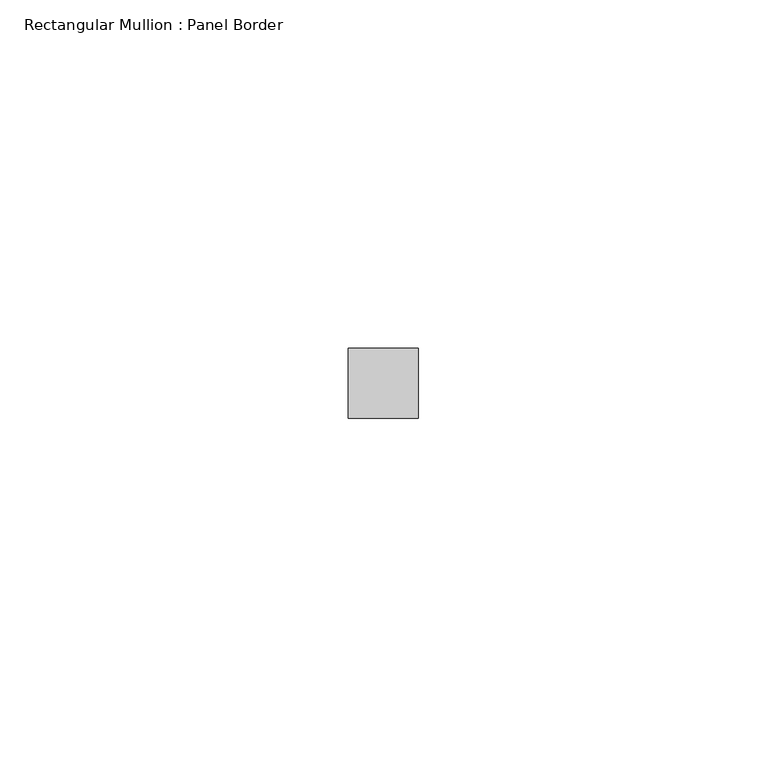
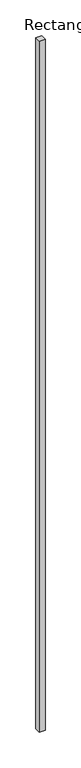
"""IFC4 building model written with IfcOpenShell, lengths in millimetres: member geometry, Rectangular Mullion : Panel Border."""

from ifc_helpers import new_model, si_unit, frame, origin, place, context, project, spatial, polyline, outline, extrude, source, transform, mapped, element, save


def rectangular_mullion_panel_border_72dd9152(model_context):
    return source(origin(), model_context, "Body", "SweptSolid", [
        extrude(outline(polyline([(5.0, 5.5), (5.0, -4.5), (-5.0, -4.5), (-5.0, 5.5), (5.0, 5.5)])), frame((0.0, 0.0, -1185.0), z_axis=(0.0, 0.0, 1.0), x_axis=(1.0, 0.0, 0.0)), (0.0, 0.0, 1.0), 1185.0),
    ])


if __name__ == "__main__":
    model = new_model("IFC4")
    model_context = context("Model", 3, world=origin())
    ifc_project = project(units=[si_unit("LENGTHUNIT", "METRE", prefix="MILLI")], contexts=[model_context])
    site = spatial("IfcSite", under=ifc_project)
    building = spatial("IfcBuilding", under=site)
    placement = place(None, origin())
    rectangular_mullion_panel_border_shape = rectangular_mullion_panel_border_72dd9152(model_context)
    element("IfcMember", 1, ObjectType="Rectangular Mullion : Panel Border", at=placement, inside=building, context=model_context, shape_type="MappedRepresentation", body=[
        mapped(rectangular_mullion_panel_border_shape, transform((0.0, 0.0, 0.0), x_axis=(1.0, 0.0, 0.0), y_axis=(0.0, 1.0, 0.0), z_axis=(0.0, 0.0, 1.0))),
    ])
    save(model, "model.ifc")
